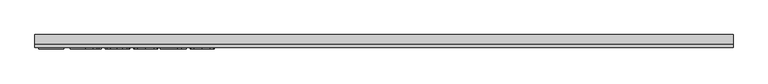
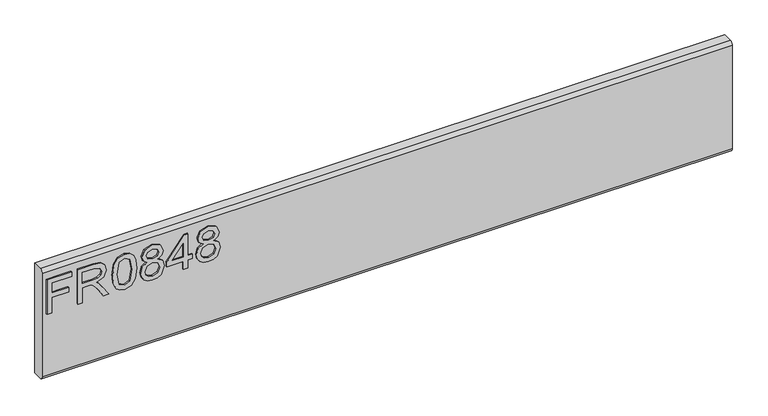
"""IFC4 building model written with IfcOpenShell, lengths in millimetres: furniture geometry."""

import ifcopenshell
import ifcopenshell.guid

model = None  # the IFC model being written
_history = None  # IfcOwnerHistory: only IFC2X3 demands one
_inside = {}  # id of a spatial element -> (the spatial element, [elements in it])
_under = {}  # id of a project, library or spatial element -> (it, [spatial elements below it])
_declared = {}  # id of a project -> (the project, [libraries it declares])
_typed = {}  # id of a type object -> (the type object, [elements of that type])
_made_of = {}  # id of a material, layer set ... -> (it, [elements and type objects made of it])


def new_model(schema):
    """Start an empty IFC model of exactly this schema.

    Asked for "IFC4X3", IfcOpenShell would pick the latest addendum, in which some entities
    have other attributes; the version numbers below select the first issue.
    IFC2X3 requires an IfcOwnerHistory on every rooted entity: one is made here for all.
    """
    global model, _history
    if schema == "IFC4X3":
        model = ifcopenshell.file(schema_version=(4, 3, 0, 0))
    else:
        model = ifcopenshell.file(schema=schema)
    _inside.clear()
    _under.clear()
    _declared.clear()
    _typed.clear()
    _made_of.clear()
    _history = None
    if model.schema == "IFC2X3":
        org = make("IfcOrganization", Name="unknown")
        user = make(
            "IfcPersonAndOrganization",
            ThePerson=make("IfcPerson", FamilyName="unknown"),
            TheOrganization=org,
        )
        app = make(
            "IfcApplication",
            ApplicationDeveloper=org,
            Version="unknown",
            ApplicationFullName="unknown",
            ApplicationIdentifier="unknown",
        )
        _history = make(
            "IfcOwnerHistory",
            OwningUser=user,
            OwningApplication=app,
            ChangeAction="ADDED",
            CreationDate=0,
        )
    return model


def make(cls, **values):
    """One entity of the class cls with the attributes given. An attribute that is None is left unset."""
    return model.create_entity(
        cls, **{name: value for name, value in values.items() if value is not None}
    )


def rooted(cls, **values):
    """An entity with a GlobalId (a new one), such as an element, a storey or a relation."""
    return make(cls, GlobalId=ifcopenshell.guid.new(), OwnerHistory=_history, **values)


def si_unit(unit_type, name, prefix=None):
    """IfcSIUnit, for example si_unit("LENGTHUNIT", "METRE", prefix="MILLI")."""
    return make("IfcSIUnit", UnitType=unit_type, Prefix=prefix, Name=name)


def assignment(units):
    """IfcUnitAssignment: the units of a project."""
    return None if units is None else make("IfcUnitAssignment", Units=units)


def point(xyz):
    """IfcCartesianPoint."""
    return None if xyz is None else make("IfcCartesianPoint", Coordinates=xyz)


def direction(xyz):
    """IfcDirection."""
    return None if xyz is None else make("IfcDirection", DirectionRatios=xyz)


def frame(location, z_axis=None, x_axis=None):
    """IfcAxis2Placement3D, a coordinate frame: its origin and axes. An axis left out is left unset."""
    return make(
        "IfcAxis2Placement3D",
        Location=point(location),
        Axis=direction(z_axis),
        RefDirection=direction(x_axis),
    )


def origin():
    """The frame at (0, 0, 0) with its axes left unset."""
    return frame((0.0, 0.0, 0.0))


def place(relative_to, where):
    """IfcLocalPlacement: puts the frame where relative to a parent placement (None: the world)."""
    return make(
        "IfcLocalPlacement", PlacementRelTo=relative_to, RelativePlacement=where
    )


def context(
    kind, dimensions, precision=None, world=None, true_north=None, identifier=None
):
    """IfcGeometricRepresentationContext, for example the 3D "Model" context."""
    return make(
        "IfcGeometricRepresentationContext",
        ContextIdentifier=identifier,
        ContextType=kind,
        CoordinateSpaceDimension=dimensions,
        Precision=precision,
        WorldCoordinateSystem=world,
        TrueNorth=true_north,
    )


def project(units=None, contexts=None):
    """IfcProject with its units and contexts."""
    return rooted(
        "IfcProject",
        Name="project",
        RepresentationContexts=contexts,
        UnitsInContext=assignment(units),
    )


def spatial(cls, under=None, at=None, **own):
    """A site, building, storey or space (cls), placed at a placement, below another one or the project."""
    s = rooted(cls, ObjectPlacement=at, **own)
    if under is not None:
        _under.setdefault(under.id(), (under, []))[1].append(s)
    return s


def polyline(points):
    """IfcPolyline through the points."""
    return make("IfcPolyline", Points=[point(p) for p in points])


def circle_curve(where, radius):
    """IfcCircle in the frame where."""
    return make("IfcCircle", Position=where, Radius=radius)


def outline(outer, holes=None, kind="AREA"):
    """IfcArbitraryClosedProfileDef: a profile drawn as a closed curve; with holes, ...WithVoids."""
    if holes is None:
        return make("IfcArbitraryClosedProfileDef", ProfileType=kind, OuterCurve=outer)
    return make(
        "IfcArbitraryProfileDefWithVoids",
        ProfileType=kind,
        OuterCurve=outer,
        InnerCurves=holes,
    )


def extrude(swept, where, along, depth):
    """IfcExtrudedAreaSolid: the profile swept, set in the frame where, extruded along a direction by depth."""
    return make(
        "IfcExtrudedAreaSolid",
        SweptArea=swept,
        Position=where,
        ExtrudedDirection=direction(along),
        Depth=depth,
    )


def shape(context_of_items, identifier, shape_type, items):
    """IfcShapeRepresentation: the items that make up one representation, for example the "Body"."""
    return make(
        "IfcShapeRepresentation",
        ContextOfItems=context_of_items,
        RepresentationIdentifier=identifier,
        RepresentationType=shape_type,
        Items=items,
    )


def source(mapping_origin, context_of_items, identifier, shape_type, items):
    """IfcRepresentationMap: a shape defined once, which mapped items show again and again."""
    return make(
        "IfcRepresentationMap",
        MappingOrigin=mapping_origin,
        MappedRepresentation=shape(context_of_items, identifier, shape_type, items),
    )


def transform(
    local_origin,
    x_axis=None,
    y_axis=None,
    z_axis=None,
    scale=None,
    scale2=None,
    scale3=None,
    uniform=True,
):
    """IfcCartesianTransformationOperator3D, or its non-uniform kind. x_axis, y_axis, z_axis: its Axis1, 2, 3."""
    if uniform:
        return make(
            "IfcCartesianTransformationOperator3D",
            Axis1=direction(x_axis),
            Axis2=direction(y_axis),
            LocalOrigin=point(local_origin),
            Scale=scale,
            Axis3=direction(z_axis),
        )
    return make(
        "IfcCartesianTransformationOperator3DnonUniform",
        Axis1=direction(x_axis),
        Axis2=direction(y_axis),
        LocalOrigin=point(local_origin),
        Scale=scale,
        Axis3=direction(z_axis),
        Scale2=scale2,
        Scale3=scale3,
    )


def mapped(mapping_source, mapping_target):
    """IfcMappedItem: shows the shape of a source again, moved by a transform."""
    return make(
        "IfcMappedItem", MappingSource=mapping_source, MappingTarget=mapping_target
    )


def made_of(thing, what):
    """Note that an element or type object is made of a material, layer set ...; save() writes the relation."""
    if what is not None:
        _made_of.setdefault(what.id(), (what, []))[1].append(thing)
    return thing


def element(
    cls,
    number,
    at=None,
    inside=None,
    cuts=None,
    type_object=None,
    material=None,
    context=None,
    identifier="Body",
    shape_type=None,
    held_by="IfcProductDefinitionShape",
    body=None,
    shapes=None,
    **own,
):
    """One element of the class cls, such as IfcWall. Its Tag is "e" and its number.

    at: its placement. inside: the storey or other place that contains it. cuts: it is an
    opening in that element (IfcRelVoidsElement). A single representation is given by context,
    identifier, shape_type and body (its items); several are given by shapes. held_by: the class
    of the entity that holds the representations. save() writes the other relations.
    """
    e = rooted(cls, Tag="e%d" % number, ObjectPlacement=at, **own)
    if body is not None:
        shapes = [shape(context, identifier, shape_type, body)]
    if shapes is not None:
        e.Representation = make(held_by, Representations=shapes)
    if inside is not None:
        _inside.setdefault(inside.id(), (inside, []))[1].append(e)
    if cuts is not None:
        rooted(
            "IfcRelVoidsElement", RelatingBuildingElement=cuts, RelatedOpeningElement=e
        )
    if type_object is not None:
        _typed.setdefault(type_object.id(), (type_object, []))[1].append(e)
    return made_of(e, material)


def aggregate(whole, parts):
    """IfcRelAggregates: a whole, such as a stair, and the parts it consists of."""
    return rooted("IfcRelAggregates", RelatingObject=whole, RelatedObjects=parts)


def save(model, path):
    """Write the relations noted so far, then the file.

    IfcRelAggregates (storeys below a building ...), IfcRelContainedInSpatialStructure (elements
    in a storey), IfcRelDefinesByType, IfcRelAssociatesMaterial and IfcRelDeclares: one each for
    every whole, place, type object, material and project.
    """
    for whole, parts in _under.values():
        aggregate(whole, parts)
    for where, things in _inside.values():
        rooted(
            "IfcRelContainedInSpatialStructure",
            RelatedElements=things,
            RelatingStructure=where,
        )
    for kind, things in _typed.values():
        rooted("IfcRelDefinesByType", RelatedObjects=things, RelatingType=kind)
    for what, things in _made_of.values():
        rooted("IfcRelAssociatesMaterial", RelatedObjects=things, RelatingMaterial=what)
    for by, libraries in _declared.values():
        rooted("IfcRelDeclares", RelatingContext=by, RelatedDefinitions=libraries)
    model.write(path)


def plane_surface(at):
    """IfcPlane: the flat surface through the origin of the frame at, square to its z axis."""
    return make("IfcPlane", Position=at)


def cylinder_surface(at, radius):
    """IfcCylindricalSurface: all points at the distance radius from the z axis of the frame at."""
    return make("IfcCylindricalSurface", Position=at, Radius=radius)


def advanced_brep(points, edges, surfaces, faces):
    """IfcAdvancedBrep: a solid bounded by faces that lie on surfaces and meet in shared edges.

    An edge is (start, end): straight between two places in points (the first is 0);
    or (start, end, curve); or (start, end, curve, False) where it runs against its curve.
    A face is (place in surfaces, loops), or (place, loops, False) where it looks against
    its surface's normal. A loop lists edges by number (the first is 1), with a minus sign
    where the edge is run from its end to its start. The first loop is the outer one.
    """
    corners = [point(p) for p in points]
    vertices = [make("IfcVertexPoint", VertexGeometry=c) for c in corners]
    made = []
    for start, end, *more in edges:
        made.append(
            make(
                "IfcEdgeCurve",
                EdgeStart=vertices[start],
                EdgeEnd=vertices[end],
                EdgeGeometry=more[0] if more else make("IfcPolyline", Points=[corners[start], corners[end]]),
                SameSense=more[1] if len(more) > 1 else True,
            )
        )
    hull = []
    for where, loops, *sense in faces:
        bounds = []
        for j, loop in enumerate(loops):
            ring = [make("IfcOrientedEdge", EdgeElement=made[abs(k) - 1], Orientation=k > 0) for k in loop]
            bounds.append(
                make(
                    "IfcFaceOuterBound" if j == 0 else "IfcFaceBound",
                    Bound=make("IfcEdgeLoop", EdgeList=ring),
                    Orientation=True,
                )
            )
        hull.append(make("IfcAdvancedFace", Bounds=bounds, FaceSurface=surfaces[where], SameSense=sense[0] if sense else True))
    return make("IfcAdvancedBrep", Outer=make("IfcClosedShell", CfsFaces=hull))


def furniture_12d6fd81(model_context):
    return source(origin(), model_context, "Body", "SolidModel", [
        extrude(outline(polyline([(882.65, -596.2729953), (882.65, -588.2992757), (911.5547336, -588.2992757), (911.5547336, -558.3978271), (919.5284532, -558.3978271), (919.5284532, -588.2992757), (938.4660373, -588.2992757), (938.4660373, -553.4142524), (946.4397569, -553.4142524), (946.4397569, -596.2729953), (882.65, -596.2729953)])), frame((0.0, -15.0812439, 0.0), z_axis=(0.0, 1.0, 0.0), x_axis=(0.0, 0.0, 1.0)), (0.0, 0.0, 1.0), 2.38125),
        extrude(outline(polyline([(882.65, -542.4503879), (882.65, -534.4766683), (910.5580187, -534.4766683), (910.5580187, -524.8521395), (910.2776926, -520.2267592), (908.7592596, -516.4345703), (904.62445, -512.2218923), (895.8720468, -506.2260289), (882.65, -497.9252622), (882.65, -488.6589278), (899.936775, -499.2957452), (908.1440996, -505.7588187), (911.5547336, -510.290757), (917.4883023, -496.936334), (928.9816716, -492.6146403), (938.6295609, -495.2232302), (944.7188663, -502.2002349), (946.4397569, -514.9628584), (946.4397569, -542.4503879), (882.65, -542.4503879)]), holes=[polyline([(918.5317383, -534.4766683), (938.4660373, -534.4766683), (938.4660373, -514.6202376), (935.7094975, -503.9600597), (928.6857719, -500.5883599), (923.2739211, -502.3559716), (919.6608294, -507.5264304), (918.5317383, -516.6292412), (918.5317383, -534.4766683)])]), frame((0.0, -15.0812439, 0.0), z_axis=(0.0, 1.0, 0.0), x_axis=(0.0, 0.0, 1.0)), (0.0, 0.0, 1.0), 2.38125),
        extrude(outline(polyline([(914.0309473, -481.6507758), (898.5156775, -480.0622614), (887.7270168, -475.296718), (883.171718, -469.0049549), (881.653285, -460.7197618), (885.1495742, -449.0472953), (895.7552443, -442.1092248), (914.0309473, -439.7887478), (929.0206058, -441.2370992), (938.4582505, -444.9747803), (944.3840324, -451.4067065), (946.4397569, -460.7197618), (942.9668283, -472.3455073), (932.3845188, -479.3069383), (914.0309473, -481.6507758)]), holes=[polyline([(914.046521, -473.6770562), (934.1988514, -469.8147858), (938.4660373, -460.8132039), (933.6226256, -451.3755591), (914.046521, -447.7624674), (894.2601718, -451.5001485), (889.6270047, -460.7197618), (894.2445982, -469.9393751), (914.046521, -473.6770562)])]), frame((0.0, -15.0812439, 0.0), z_axis=(0.0, 1.0, 0.0), x_axis=(0.0, 0.0, 1.0)), (0.0, 0.0, 1.0), 2.38125),
        extrude(outline(polyline([(917.7842021, -421.1937845), (911.9907964, -429.790451), (901.4318474, -432.8117432), (893.6742125, -431.3711786), (887.3143145, -427.0494848), (883.0685424, -420.3761668), (881.653285, -411.8807292), (883.0627023, -403.3852916), (887.290954, -396.7119735), (901.213816, -390.9497152), (911.5313731, -393.8542048), (917.7842021, -402.3340688), (922.713269, -395.2714089), (930.2275653, -392.9431451), (941.7209346, -398.1758986), (946.4397569, -411.9897449), (941.8299503, -425.6790018), (930.4455967, -430.8183133), (922.7366295, -428.4589021), (917.7842021, -421.1937845)]), holes=[polyline([(930.2119916, -422.8445936), (936.0365446, -419.9712513), (938.4660373, -411.8807292), (935.9820368, -403.8135675), (929.8537972, -400.9168647), (923.9358022, -403.7201255), (921.5218831, -411.7872871), (923.9513758, -420.0179723), (930.2119916, -422.8445936)]), polyline([(901.7121735, -424.8380235), (910.1686769, -421.4663237), (913.5481635, -412.0831869), (910.1219559, -402.4275108), (901.4629947, -398.9234348), (892.9675571, -402.3184951), (889.6270047, -411.8184345), (891.2155191, -418.7954391), (895.7085232, -423.5064747), (901.7121735, -424.8380235)])]), frame((0.0, -15.0812439, 0.0), z_axis=(0.0, 1.0, 0.0), x_axis=(0.0, 0.0, 1.0)), (0.0, 0.0, 1.0), 2.38125),
        extrude(outline(polyline([(882.65, -358.0581217), (882.65, -350.0844021), (897.6007243, -350.0844021), (897.6007243, -342.1106825), (905.5744439, -342.1106825), (905.5744439, -350.0844021), (945.443042, -350.0844021), (945.443042, -356.0646918), (905.5744439, -386.9628554), (897.6007243, -386.9628554), (897.6007243, -358.0581217), (882.65, -358.0581217)]), holes=[polyline([(905.5744439, -358.0581217), (905.5744439, -377.1514425), (930.2119916, -358.0581217), (905.5744439, -358.0581217)])]), frame((0.0, -15.0812439, 0.0), z_axis=(0.0, 1.0, 0.0), x_axis=(0.0, 0.0, 1.0)), (0.0, 0.0, 1.0), 2.38125),
        extrude(outline(polyline([(917.7842021, -323.5157192), (911.9907964, -332.1123856), (901.4318474, -335.1336778), (893.6742125, -333.6931133), (887.3143145, -329.3714195), (883.0685424, -322.6981014), (881.653285, -314.2026638), (883.0627023, -305.7072262), (887.290954, -299.0339082), (901.213816, -293.2716498), (911.5313731, -296.1761395), (917.7842021, -304.6560034), (922.713269, -297.5933436), (930.2275653, -295.2650797), (941.7209346, -300.4978332), (946.4397569, -314.3116795), (941.8299503, -328.0009365), (930.4455967, -333.1402479), (922.7366295, -330.7808368), (917.7842021, -323.5157192)]), holes=[polyline([(930.2119916, -325.1665283), (936.0365446, -322.293186), (938.4660373, -314.2026638), (935.9820368, -306.1355022), (929.8537972, -303.2387994), (923.9358022, -306.0420602), (921.5218831, -314.1092218), (923.9513758, -322.339907), (930.2119916, -325.1665283)]), polyline([(901.7121735, -327.1599582), (910.1686769, -323.7882584), (913.5481635, -314.4051216), (910.1219559, -304.7494455), (901.4629947, -301.2453695), (892.9675571, -304.6404298), (889.6270047, -314.1403692), (891.2155191, -321.1173738), (895.7085232, -325.8284093), (901.7121735, -327.1599582)])]), frame((0.0, -15.0812439, 0.0), z_axis=(0.0, 1.0, 0.0), x_axis=(0.0, 0.0, 1.0)), (0.0, 0.0, 1.0), 2.38125),
        advanced_brep(
        [(603.25, 9.5250061, 965.2), (603.25, -6.7309939, 965.2), (603.25, -12.6999939, 959.231), (603.25, -12.6999939, 767.969), (603.25, -6.7309939, 762.0), (603.25, 9.5250061, 762.0), (-603.25, 9.5250061, 965.2), (-603.25, 9.5250061, 762.0), (-603.25, -6.7309939, 762.0), (-603.25, -12.6999939, 767.969), (-603.25, -12.6999939, 959.2310121), (-603.25, -6.7309939, 965.2)],
        [
            (0, 1),
            (1, 2, circle_curve(frame((603.25, -6.7309939, 959.231), z_axis=(1.0, 0.0, 0.0), x_axis=(0.0, 1.0, 0.0)), 5.969)),
            (2, 3),
            (3, 4, circle_curve(frame((603.25, -6.7309939, 767.969), z_axis=(1.0, 0.0, 0.0), x_axis=(0.0, 1.0, 0.0)), 5.969)),
            (4, 5),
            (5, 0),
            (6, 7),
            (7, 8),
            (8, 9, circle_curve(frame((-603.25, -6.7309939, 767.969), z_axis=(-1.0, 0.0, 0.0), x_axis=(0.0, 1.0, 0.0)), 5.969)),
            (9, 10),
            (10, 11, circle_curve(frame((-603.25, -6.7309939, 959.231), z_axis=(-1.0, 0.0, 0.0), x_axis=(0.0, 1.0, 0.0)), 5.969)),
            (11, 6),
            (0, 6),
            (11, 1),
            (10, 2),
            (9, 3),
            (8, 4),
            (7, 5),
        ],
        [
            plane_surface(frame((603.25, -6.7309939, 965.2), z_axis=(1.0, 0.0, 0.0), x_axis=(0.0, -1.0, 0.0))),
            plane_surface(frame((-603.25, -6.7309939, 965.2), z_axis=(-1.0, 0.0, 0.0), x_axis=(0.0, 1.0, 0.0))),
            plane_surface(frame((603.25, 9.5250061, 965.2), z_axis=(0.0, 0.0, 1.0), x_axis=(-1.0, 0.0, 0.0))),
            cylinder_surface(frame((-603.25, -6.7309939, 959.231), z_axis=(1.0, 0.0, 0.0), x_axis=(0.0, 1.0, 0.0)), 5.969),
            plane_surface(frame((603.25, -12.6999939, 959.2310121), z_axis=(0.0, -1.0, 0.0), x_axis=(-1.0, 0.0, 0.0))),
            cylinder_surface(frame((-603.25, -6.7309939, 767.969), z_axis=(1.0, 0.0, 0.0), x_axis=(0.0, 1.0, 0.0)), 5.969),
            plane_surface(frame((603.25, -6.7309939, 762.0), z_axis=(0.0, 0.0, -1.0), x_axis=(-1.0, 0.0, 0.0))),
            plane_surface(frame((603.25, 9.5250061, 762.0), z_axis=(0.0, 1.0, 0.0), x_axis=(-1.0, 0.0, 0.0))),
        ],
        [
            (0, [[1, 2, 3, 4, 5, 6]]),
            (1, [[7, 8, 9, 10, 11, 12]]),
            (2, [[-1, 13, -12, 14]]),
            (3, [[-2, -14, -11, 15]]),
            (4, [[-3, -15, -10, 16]]),
            (5, [[-4, -16, -9, 17]]),
            (6, [[-5, -17, -8, 18]]),
            (7, [[-6, -18, -7, -13]]),
        ],
    ),
    ])


if __name__ == "__main__":
    model = new_model("IFC4")
    model_context = context("Model", 3, world=origin())
    ifc_project = project(units=[si_unit("LENGTHUNIT", "METRE", prefix="MILLI")], contexts=[model_context])
    site = spatial("IfcSite", under=ifc_project)
    building = spatial("IfcBuilding", under=site)
    placement = place(None, origin())
    furniture_shape = furniture_12d6fd81(model_context)
    element("IfcFurniture", 1, at=placement, inside=building, context=model_context, shape_type="MappedRepresentation", body=[
        mapped(furniture_shape, transform((0.0, 0.0, 0.0), x_axis=(1.0, 0.0, 0.0), y_axis=(0.0, 1.0, 0.0), z_axis=(0.0, 0.0, 1.0))),
    ])
    save(model, "model.ifc")
